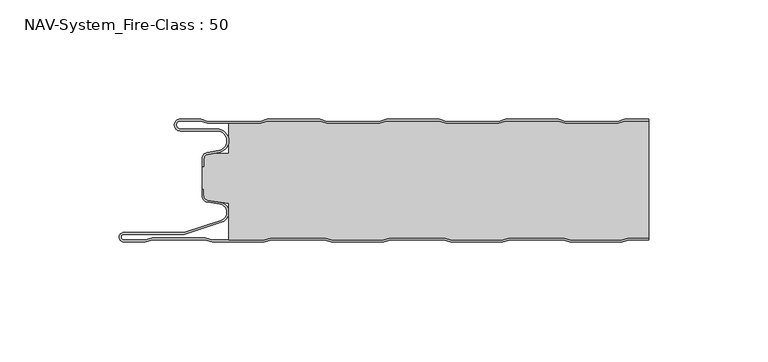
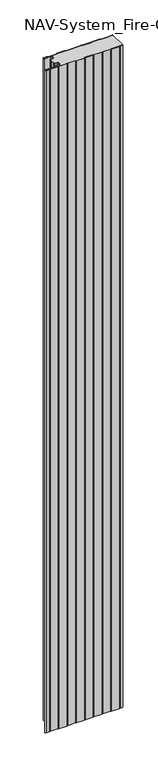
"""IFC4 building model written with IfcOpenShell, lengths in millimetres: plate geometry, NAV-System_Fire-Class : 50."""

from ifc_helpers import new_model, si_unit, frame, origin, place, context, project, spatial, polyline, circle_curve, source, transform, mapped, element, save
from ifc_brep_helpers import plane_surface, cylinder_surface, revolved_surface, advanced_brep


def nav_system_fire_class_50_8bec986a(model_context):
    return source(origin(), model_context, "Body", "AdvancedBrep", [
        advanced_brep(
        [(-88.6298221, -0.8, 0.0), (-97.0000001, -0.8, 0.0), (-97.0000001, -4.1999999, 0.0), (-81.6002086, -4.1999999, 0.0), (-80.7423864, -14.0049502, 0.0), (-85.6125665, -14.8636946, 0.0), (-87.1000004, -16.6363494, 0.0), (-87.1000014, -19.9421291, 0.0), (-87.9000014, -19.9421291, 0.0), (-87.9000014, -16.6363484, 0.0), (-85.7514853, -14.0758488, 0.0), (-80.8813015, -13.217104, 0.0), (-81.600205, -4.9999999, 0.0), (-97.0000001, -4.9999999, 0.0), (-97.0000001, 0.0, 0.0), (-88.5, 0.0, 0.0), (-85.5, -1.0, 0.0), (-63.5, -1.0, 0.0), (-60.5, 0.0, 0.0), (-38.5, 0.0, 0.0), (-35.5, -1.0, 0.0), (-13.5, -1.0, 0.0), (-10.5, 0.0, 0.0), (11.5, 0.0, 0.0), (14.5, -1.0, 0.0), (36.5, -1.0, 0.0), (39.5, 0.0, 0.0), (61.5, 0.0, 0.0), (64.5, -1.0, 0.0), (86.5, -1.0, 0.0), (89.5, 0.0, 0.0), (99.5, 0.0, 0.0), (99.5, -0.8, 0.0), (89.6298221, -0.8, 0.0), (86.6298221, -1.8, 0.0), (64.3701779, -1.8, 0.0), (61.3701779, -0.8, 0.0), (39.6298221, -0.8, 0.0), (36.6298221, -1.8, 0.0), (14.3701779, -1.8, 0.0), (11.3701779, -0.8, 0.0), (-10.3701779, -0.8, 0.0), (-13.3701779, -1.8, 0.0), (-35.6298221, -1.8, 0.0), (-38.6298221, -0.8, 0.0), (-60.3701779, -0.8, 0.0), (-63.3701779, -1.8, 0.0), (-85.6298221, -1.8, 0.0), (-88.6298221, -0.8, 2000.0), (-85.6298221, -1.8, 2000.0), (-63.3701779, -1.8, 2000.0), (-60.3701779, -0.8, 2000.0), (-38.6298221, -0.8, 2000.0), (-35.6298221, -1.8, 2000.0), (-13.3701779, -1.8, 2000.0), (-10.3701779, -0.8, 2000.0), (11.3701779, -0.8, 2000.0), (14.3701779, -1.8, 2000.0), (36.6298221, -1.8, 2000.0), (39.6298221, -0.8, 2000.0), (61.3701779, -0.8, 2000.0), (64.3701779, -1.8, 2000.0), (86.6298221, -1.8, 2000.0), (89.6298221, -0.8, 2000.0), (99.5, -0.8, 2000.0), (99.5, 0.0, 2000.0), (89.5, 0.0, 2000.0), (86.5, -1.0, 2000.0), (64.5, -1.0, 2000.0), (61.5, 0.0, 2000.0), (39.5, 0.0, 2000.0), (36.5, -1.0, 2000.0), (14.5, -1.0, 2000.0), (11.5, 0.0, 2000.0), (-10.5, 0.0, 2000.0), (-13.5, -1.0, 2000.0), (-35.5, -1.0, 2000.0), (-38.5, 0.0, 2000.0), (-60.5, 0.0, 2000.0), (-63.5, -1.0, 2000.0), (-85.5, -1.0, 2000.0), (-88.5, 0.0, 2000.0), (-97.0000001, 0.0, 2000.0), (-97.0000001, -4.9999999, 2000.0), (-81.600205, -4.9999999, 2000.0), (-80.8813015, -13.217104, 2000.0), (-85.7514853, -14.0758488, 2000.0), (-87.8999997, -16.6363484, 2000.0), (-87.9000014, -19.9421291, 2000.0), (-87.1000014, -19.9421291, 2000.0), (-87.1000014, -16.6363494, 2000.0), (-85.6125665, -14.8636946, 2000.0), (-80.7423864, -14.0049502, 2000.0), (-81.6002086, -4.1999999, 2000.0), (-97.0000001, -4.1999999, 2000.0), (-97.0000001, -0.8000002, 2000.0)],
        [
            (0, 1),
            (1, 2, circle_curve(frame((-97.0000001, -2.5, 0.0), z_axis=(0.0, 0.0, 1.0), x_axis=(1.0, 0.0, 0.0)), 1.6999999)),
            (2, 3),
            (3, 4, circle_curve(frame((-81.6002086, -9.1399999, 0.0), z_axis=(0.0, 0.0, -1.0), x_axis=(1.0, 0.0, 0.0)), 4.94)),
            (4, 5),
            (5, 6, circle_curve(frame((-85.2999995, -16.6363494, 0.0), z_axis=(0.0, 0.0, 1.0), x_axis=(1.0, 0.0, 0.0)), 1.8000009)),
            (6, 7),
            (7, 8),
            (8, 9),
            (9, 10, circle_curve(frame((-85.3000002, -16.6363484, 0.0), z_axis=(0.0, 0.0, -1.0), x_axis=(1.0, 0.0, 0.0)), 2.5999995)),
            (10, 11),
            (11, 12, circle_curve(frame((-81.600205, -9.1399999, 0.0), z_axis=(0.0, 0.0, 1.0), x_axis=(1.0, 0.0, 0.0)), 4.14)),
            (12, 13),
            (13, 14, circle_curve(frame((-97.0000001, -2.4999999, 0.0), z_axis=(0.0, 0.0, -1.0), x_axis=(1.0, 0.0, 0.0)), 2.4999999)),
            (14, 15),
            (15, 16),
            (16, 17),
            (17, 18),
            (18, 19),
            (19, 20),
            (20, 21),
            (21, 22),
            (22, 23),
            (23, 24),
            (24, 25),
            (25, 26),
            (26, 27),
            (27, 28),
            (28, 29),
            (29, 30),
            (30, 31),
            (31, 32),
            (32, 33),
            (33, 34),
            (34, 35),
            (35, 36),
            (36, 37),
            (37, 38),
            (38, 39),
            (39, 40),
            (40, 41),
            (41, 42),
            (42, 43),
            (43, 44),
            (44, 45),
            (45, 46),
            (46, 47),
            (47, 0),
            (48, 49),
            (49, 50),
            (50, 51),
            (51, 52),
            (52, 53),
            (53, 54),
            (54, 55),
            (55, 56),
            (56, 57),
            (57, 58),
            (58, 59),
            (59, 60),
            (60, 61),
            (61, 62),
            (62, 63),
            (63, 64),
            (64, 65),
            (65, 66),
            (66, 67),
            (67, 68),
            (68, 69),
            (69, 70),
            (70, 71),
            (71, 72),
            (72, 73),
            (73, 74),
            (74, 75),
            (75, 76),
            (76, 77),
            (77, 78),
            (78, 79),
            (79, 80),
            (80, 81),
            (81, 82),
            (82, 83, circle_curve(frame((-97.0000001, -2.4999999, 2000.0), z_axis=(0.0, 0.0, 1.0), x_axis=(1.0, 0.0, 0.0)), 2.4999999)),
            (83, 84),
            (84, 85, circle_curve(frame((-81.600205, -9.1399999, 2000.0), z_axis=(0.0, 0.0, -1.0), x_axis=(1.0, 0.0, 0.0)), 4.14)),
            (85, 86),
            (86, 87, circle_curve(frame((-85.3000002, -16.6363484, 2000.0), z_axis=(0.0, 0.0, 1.0), x_axis=(1.0, 0.0, 0.0)), 2.5999995)),
            (87, 88),
            (88, 89),
            (89, 90),
            (90, 91, circle_curve(frame((-85.2999995, -16.6363494, 2000.0), z_axis=(0.0, 0.0, -1.0), x_axis=(1.0, 0.0, 0.0)), 1.8000009)),
            (91, 92),
            (92, 93, circle_curve(frame((-81.6002086, -9.1399999, 2000.0), z_axis=(0.0, 0.0, 1.0), x_axis=(1.0, 0.0, 0.0)), 4.94)),
            (93, 94),
            (94, 95, circle_curve(frame((-97.0000001, -2.5, 2000.0), z_axis=(0.0, 0.0, -1.0), x_axis=(1.0, 0.0, 0.0)), 1.6999999)),
            (95, 48),
            (0, 48),
            (95, 1),
            (14, 82),
            (81, 15),
            (63, 33),
            (32, 64),
            (62, 34),
            (61, 35),
            (60, 36),
            (59, 37),
            (58, 38),
            (57, 39),
            (56, 40),
            (55, 41),
            (54, 42),
            (53, 43),
            (52, 44),
            (51, 45),
            (50, 46),
            (49, 47),
            (80, 16),
            (79, 17),
            (78, 18),
            (77, 19),
            (76, 20),
            (75, 21),
            (74, 22),
            (73, 23),
            (72, 24),
            (71, 25),
            (70, 26),
            (69, 27),
            (68, 28),
            (67, 29),
            (66, 30),
            (65, 31),
            (2, 94),
            (93, 3),
            (6, 90),
            (89, 7),
            (88, 8),
            (87, 9),
            (12, 84),
            (83, 13),
            (92, 4),
            (91, 5),
            (86, 10),
            (85, 11),
        ],
        [
            plane_surface(frame((-99.5, 0.0, 0.0), z_axis=(0.0, 0.0, -1.0), x_axis=(0.0, -1.0, 0.0))),
            plane_surface(frame((-99.5, 0.0, 2000.0), z_axis=(0.0, 0.0, 1.0), x_axis=(0.0, -1.0, 0.0))),
            plane_surface(frame((-88.6298221, -0.8, 0.0), z_axis=(0.0, -1.0, 0.0), x_axis=(0.0, 0.0, 1.0))),
            plane_surface(frame((-97.0000001, 0.0, 0.0), z_axis=(0.0, 1.0, 0.0), x_axis=(0.0, 0.0, 1.0))),
            plane_surface(frame((111.3701779, -0.8, 0.0), z_axis=(0.0, -1.0, 0.0), x_axis=(0.0, 0.0, 1.0))),
            plane_surface(frame((89.6298221, -0.8, 0.0), z_axis=(0.3162277660167413, -0.9486832980505461, 0.0), x_axis=(0.0, 0.0, 1.0))),
            plane_surface(frame((86.6298221, -1.8, 0.0), z_axis=(0.0, -1.0, 0.0), x_axis=(0.0, 0.0, 1.0))),
            plane_surface(frame((64.3701779, -1.8, 0.0), z_axis=(-0.31622776601675356, -0.948683298050542, 0.0), x_axis=(0.0, 0.0, 1.0))),
            plane_surface(frame((61.3701779, -0.8, 0.0), z_axis=(0.0, -1.0, 0.0), x_axis=(0.0, 0.0, 1.0))),
            plane_surface(frame((39.6298221, -0.8, 0.0), z_axis=(0.31622776601679226, -0.9486832980505291, 0.0), x_axis=(0.0, 0.0, 1.0))),
            plane_surface(frame((36.6298221, -1.8, 0.0), z_axis=(0.0, -1.0, 0.0), x_axis=(0.0, 0.0, 1.0))),
            plane_surface(frame((14.3701779, -1.8, 0.0), z_axis=(-0.3162277660168045, -0.948683298050525, 0.0), x_axis=(0.0, 0.0, 1.0))),
            plane_surface(frame((11.3701779, -0.8, 0.0), z_axis=(0.0, -1.0, 0.0), x_axis=(0.0, 0.0, 1.0))),
            plane_surface(frame((-10.3701779, -0.8, 0.0), z_axis=(0.31622776601679226, -0.9486832980505291, 0.0), x_axis=(0.0, 0.0, 1.0))),
            plane_surface(frame((-13.3701779, -1.8, 0.0), z_axis=(0.0, -1.0, 0.0), x_axis=(0.0, 0.0, 1.0))),
            plane_surface(frame((-35.6298221, -1.8, 0.0), z_axis=(-0.3162277660168045, -0.948683298050525, 0.0), x_axis=(0.0, 0.0, 1.0))),
            plane_surface(frame((-38.6298221, -0.8, 0.0), z_axis=(0.0, -1.0, 0.0), x_axis=(0.0, 0.0, 1.0))),
            plane_surface(frame((-60.3701779, -0.8, 0.0), z_axis=(0.3162277660167413, -0.9486832980505461, 0.0), x_axis=(0.0, 0.0, 1.0))),
            plane_surface(frame((-63.3701779, -1.8, 0.0), z_axis=(0.0, -1.0, 0.0), x_axis=(0.0, 0.0, 1.0))),
            plane_surface(frame((-85.6298221, -1.8, 0.0), z_axis=(-0.3162277660167413, -0.9486832980505461, 0.0), x_axis=(0.0, 0.0, 1.0))),
            plane_surface(frame((-88.5, 0.0, 0.0), z_axis=(0.31622776601671865, 0.9486832980505536, 0.0), x_axis=(0.0, 0.0, 1.0))),
            plane_surface(frame((-85.5, -1.0, 0.0), z_axis=(0.0, 1.0, 0.0), x_axis=(0.0, 0.0, 1.0))),
            plane_surface(frame((-63.5, -1.0, 0.0), z_axis=(-0.31622776601671865, 0.9486832980505536, 0.0), x_axis=(0.0, 0.0, 1.0))),
            plane_surface(frame((-60.5, 0.0, 0.0), z_axis=(0.0, 1.0, 0.0), x_axis=(0.0, 0.0, 1.0))),
            plane_surface(frame((-38.5, 0.0, 0.0), z_axis=(0.31622776601678754, 0.9486832980505306, 0.0), x_axis=(0.0, 0.0, 1.0))),
            plane_surface(frame((-35.5, -1.0, 0.0), z_axis=(0.0, 1.0, 0.0), x_axis=(0.0, 0.0, 1.0))),
            plane_surface(frame((-13.5, -1.0, 0.0), z_axis=(-0.3162277660167752, 0.9486832980505348, 0.0), x_axis=(0.0, 0.0, 1.0))),
            plane_surface(frame((-10.5, 0.0, 0.0), z_axis=(0.0, 1.0, 0.0), x_axis=(0.0, 0.0, 1.0))),
            plane_surface(frame((11.5, 0.0, 0.0), z_axis=(0.31622776601678754, 0.9486832980505306, 0.0), x_axis=(0.0, 0.0, 1.0))),
            plane_surface(frame((14.5, -1.0, 0.0), z_axis=(0.0, 1.0, 0.0), x_axis=(0.0, 0.0, 1.0))),
            plane_surface(frame((36.5, -1.0, 0.0), z_axis=(-0.3162277660167752, 0.9486832980505348, 0.0), x_axis=(0.0, 0.0, 1.0))),
            plane_surface(frame((39.5, 0.0, 0.0), z_axis=(0.0, 1.0, 0.0), x_axis=(0.0, 0.0, 1.0))),
            plane_surface(frame((61.5, 0.0, 0.0), z_axis=(0.3162277660167309, 0.9486832980505495, 0.0), x_axis=(0.0, 0.0, 1.0))),
            plane_surface(frame((64.5, -1.0, 0.0), z_axis=(0.0, 1.0, 0.0), x_axis=(0.0, 0.0, 1.0))),
            plane_surface(frame((86.5, -1.0, 0.0), z_axis=(-0.31622776601671865, 0.9486832980505536, 0.0), x_axis=(0.0, 0.0, 1.0))),
            plane_surface(frame((89.5, 0.0, 0.0), z_axis=(0.0, 1.0, 0.0), x_axis=(0.0, 0.0, 1.0))),
            plane_surface(frame((-97.0000001, -4.1999999, 0.0), z_axis=(0.0, 1.0, 0.0), x_axis=(0.0, 0.0, 1.0))),
            plane_surface(frame((-87.1000014, -16.6363494, 0.0), z_axis=(1.0, 0.0, 0.0), x_axis=(0.0, 0.0, 1.0))),
            plane_surface(frame((-87.1000014, -19.9421291, 0.0), z_axis=(0.0, -1.0, 0.0), x_axis=(0.0, 0.0, 1.0))),
            plane_surface(frame((-87.9000014, -19.9421291, 0.0), z_axis=(-1.0, 0.0, 0.0), x_axis=(0.0, 0.0, 1.0))),
            plane_surface(frame((-81.600205, -4.9999999, 0.0), z_axis=(0.0, -1.0, 0.0), x_axis=(0.0, 0.0, 1.0))),
            revolved_surface(polyline([(-95.3000002, -2.5, 2000.0), (-95.3000002, -2.5, 0.0)]), (-97.0000001, -2.5, 0.0), (0.0, 0.0, 1.0)),
            cylinder_surface(frame((-81.6002086, -9.1399999, 0.0), z_axis=(0.0, 0.0, -1.0), x_axis=(1.0, 0.0, 0.0)), 4.94),
            plane_surface(frame((-80.7423864, -14.0049502, 0.0), z_axis=(0.17364822279076972, -0.9848077450556567, 0.0), x_axis=(0.0, 0.0, 1.0))),
            revolved_surface(polyline([(-83.4999986, -16.6363494, 2000.0), (-83.4999986, -16.6363494, 0.0)]), (-85.2999995, -16.6363494, 0.0), (0.0, 0.0, 1.0)),
            cylinder_surface(frame((-85.3000002, -16.6363484, 0.0), z_axis=(0.0, 0.0, -1.0), x_axis=(1.0, 0.0, 0.0)), 2.5999995),
            plane_surface(frame((-85.7514853, -14.0758488, 0.0), z_axis=(-0.17364817295915452, 0.984807753842316, 0.0), x_axis=(0.0, 0.0, 1.0))),
            revolved_surface(polyline([(-77.460205, -9.1399999, 2000.0), (-77.460205, -9.1399999, 0.0)]), (-81.600205, -9.1399999, 0.0), (0.0, 0.0, 1.0)),
            cylinder_surface(frame((-97.0000001, -2.4999999, 0.0), z_axis=(0.0, 0.0, -1.0), x_axis=(1.0, 0.0, 0.0)), 2.4999999),
            plane_surface(frame((99.5, 100.0, 2000.0), z_axis=(1.0, 0.0, 0.0), x_axis=(0.0, 0.0, -1.0))),
        ],
        [
            (0, [[1, 2, 3, 4, 5, 6, 7, 8, 9, 10, 11, 12, 13, 14, 15, 16, 17, 18, 19, 20, 21, 22, 23, 24, 25, 26, 27, 28, 29, 30, 31, 32, 33, 34, 35, 36, 37, 38, 39, 40, 41, 42, 43, 44, 45, 46, 47, 48]]),
            (1, [[49, 50, 51, 52, 53, 54, 55, 56, 57, 58, 59, 60, 61, 62, 63, 64, 65, 66, 67, 68, 69, 70, 71, 72, 73, 74, 75, 76, 77, 78, 79, 80, 81, 82, 83, 84, 85, 86, 87, 88, 89, 90, 91, 92, 93, 94, 95, 96]]),
            (2, [[-1, 97, -96, 98]]),
            (3, [[-15, 99, -82, 100]]),
            (4, [[101, -33, 102, -64]]),
            (5, [[-34, -101, -63, 103]]),
            (6, [[-35, -103, -62, 104]]),
            (7, [[-36, -104, -61, 105]]),
            (8, [[-37, -105, -60, 106]]),
            (9, [[-38, -106, -59, 107]]),
            (10, [[-39, -107, -58, 108]]),
            (11, [[-40, -108, -57, 109]]),
            (12, [[-41, -109, -56, 110]]),
            (13, [[-42, -110, -55, 111]]),
            (14, [[-43, -111, -54, 112]]),
            (15, [[-44, -112, -53, 113]]),
            (16, [[-45, -113, -52, 114]]),
            (17, [[-46, -114, -51, 115]]),
            (18, [[-47, -115, -50, 116]]),
            (19, [[-48, -116, -49, -97]]),
            (20, [[-16, -100, -81, 117]]),
            (21, [[-17, -117, -80, 118]]),
            (22, [[-18, -118, -79, 119]]),
            (23, [[-19, -119, -78, 120]]),
            (24, [[-20, -120, -77, 121]]),
            (25, [[-21, -121, -76, 122]]),
            (26, [[-22, -122, -75, 123]]),
            (27, [[-23, -123, -74, 124]]),
            (28, [[-24, -124, -73, 125]]),
            (29, [[-25, -125, -72, 126]]),
            (30, [[-26, -126, -71, 127]]),
            (31, [[-27, -127, -70, 128]]),
            (32, [[-28, -128, -69, 129]]),
            (33, [[-29, -129, -68, 130]]),
            (34, [[-30, -130, -67, 131]]),
            (35, [[-131, -66, 132, -31]]),
            (36, [[-3, 133, -94, 134]]),
            (37, [[-7, 135, -90, 136]]),
            (38, [[-8, -136, -89, 137]]),
            (39, [[-9, -137, -88, 138]]),
            (40, [[-13, 139, -84, 140]]),
            (41, [[-2, -98, -95, -133]]),
            (42, [[-4, -134, -93, 141]]),
            (43, [[-5, -141, -92, 142]]),
            (44, [[-6, -142, -91, -135]]),
            (45, [[-10, -138, -87, 143]]),
            (46, [[-11, -143, -86, 144]]),
            (47, [[-12, -144, -85, -139]]),
            (48, [[-14, -140, -83, -99]]),
            (49, [[-32, -132, -65, -102]]),
        ],
    ),
        advanced_brep(
        [(89.6181262, -0.8, 2000.0), (86.6181262, -1.8, 2000.0), (64.3584819, -1.8, 2000.0), (61.3584819, -0.8, 2000.0), (39.6181262, -0.8, 2000.0), (36.6181262, -1.8, 2000.0), (14.3584819, -1.8, 2000.0), (11.3584819, -0.8, 2000.0), (-10.3818738, -0.8, 2000.0), (-13.3818738, -1.8, 2000.0), (-35.6415181, -1.8, 2000.0), (-38.6415181, -0.8, 2000.0), (-60.3818738, -0.8, 2000.0), (-63.3818738, -1.8, 2000.0), (-76.6719045, -1.8, 2000.0), (-76.6719045, -14.4343223, 2000.0), (-83.1891722, -14.4343223, 2000.0), (-85.6242625, -14.8636946, 2000.0), (-87.1116964, -16.636349, 2000.0), (-87.1116974, -19.9512003, 2000.0), (-87.9116974, -19.9512003, 2000.0), (-87.9116974, -29.3983656, 2000.0), (-87.1116974, -29.3983656, 2000.0), (-87.1116974, -32.1656409, 2000.0), (-85.4245663, -34.1410176, 2000.0), (-76.6248082, -35.5347623, 2000.0), (-76.6248082, -50.8, 2000.0), (-61.8218295, -50.8, 2000.0), (-58.7610803, -50.0, 2000.0), (-36.5891849, -50.0, 2000.0), (-33.5284357, -50.8, 2000.0), (-11.8218295, -50.8, 2000.0), (-8.7610803, -50.0, 2000.0), (13.4108151, -50.0, 2000.0), (16.4715643, -50.8, 2000.0), (38.1904, -50.8, 2000.0), (41.2511493, -50.0, 2000.0), (63.4108151, -50.0, 2000.0), (66.4715643, -50.8, 2000.0), (88.1781705, -50.8, 2000.0), (91.2389197, -50.0, 2000.0), (99.5, -50.0, 2000.0), (99.5, -0.8, 2000.0), (91.2389197, -50.0, 0.0), (88.1781705, -50.8, 0.0), (66.4715643, -50.8, 0.0), (63.4108151, -50.0, 0.0), (41.2511493, -50.0, 0.0), (38.1904, -50.8, 0.0), (16.4715643, -50.8, 0.0), (13.4108151, -50.0, 0.0), (-8.7610803, -50.0, 0.0), (-11.8218295, -50.8, 0.0), (-33.5284357, -50.8, 0.0), (-36.5891849, -50.0, 0.0), (-58.7610803, -50.0, 0.0), (-61.8218295, -50.8, 0.0), (-76.6248082, -50.8, 0.0), (-76.6248082, -35.5347623, 0.0), (-85.4245663, -34.1410176, 0.0), (-87.1116974, -32.1656409, 0.0), (-87.1116974, -29.3983656, 0.0), (-87.9116974, -29.3983656, 0.0), (-87.9116974, -19.9512003, 0.0), (-87.1116974, -19.9512003, 0.0), (-87.1116974, -16.636349, 0.0), (-85.6242625, -14.8636946, 0.0), (-83.1891722, -14.4343223, 0.0), (-76.6719045, -14.4343223, 0.0), (-76.6719045, -1.8, 0.0), (-63.3818738, -1.8, 0.0), (-60.3818738, -0.8, 0.0), (-38.6415181, -0.8, 0.0), (-35.6415181, -1.8, 0.0), (-13.3818738, -1.8, 0.0), (-10.3818738, -0.8, 0.0), (11.3584819, -0.8, 0.0), (14.3584819, -1.8, 0.0), (36.6181262, -1.8, 0.0), (39.6181262, -0.8, 0.0), (61.3584819, -0.8, 0.0), (64.3584819, -1.8, 0.0), (86.6181262, -1.8, 0.0), (89.6181262, -0.8, 0.0), (99.5, -0.8, 0.0), (99.5, -50.0, 0.0)],
        [
            (0, 1),
            (1, 2),
            (2, 3),
            (3, 4),
            (4, 5),
            (5, 6),
            (6, 7),
            (7, 8),
            (8, 9),
            (9, 10),
            (10, 11),
            (11, 12),
            (12, 13),
            (13, 14),
            (14, 15),
            (15, 16),
            (16, 17),
            (17, 18, circle_curve(frame((-85.3116955, -16.6363494, 2000.0), z_axis=(0.0, 0.0, 1.0), x_axis=(1.0, 0.0, 0.0)), 1.8000009)),
            (18, 19),
            (19, 20),
            (20, 21),
            (21, 22),
            (22, 23),
            (23, 24, circle_curve(frame((-85.1116974, -32.1656409, 2000.0), z_axis=(0.0, 0.0, 1.0), x_axis=(1.0, 0.0, 0.0)), 2.0)),
            (24, 25),
            (25, 26),
            (26, 27),
            (27, 28),
            (28, 29),
            (29, 30),
            (30, 31),
            (31, 32),
            (32, 33),
            (33, 34),
            (34, 35),
            (35, 36),
            (36, 37),
            (37, 38),
            (38, 39),
            (39, 40),
            (40, 41),
            (41, 42),
            (42, 0),
            (43, 44),
            (44, 45),
            (45, 46),
            (46, 47),
            (47, 48),
            (48, 49),
            (49, 50),
            (50, 51),
            (51, 52),
            (52, 53),
            (53, 54),
            (54, 55),
            (55, 56),
            (56, 57),
            (57, 58),
            (58, 59),
            (59, 60, circle_curve(frame((-85.1116974, -32.1656409, 0.0), z_axis=(0.0, 0.0, -1.0), x_axis=(1.0, 0.0, 0.0)), 2.0)),
            (60, 61),
            (61, 62),
            (62, 63),
            (63, 64),
            (64, 65),
            (65, 66, circle_curve(frame((-85.3116955, -16.6363494, 0.0), z_axis=(0.0, 0.0, -1.0), x_axis=(1.0, 0.0, 0.0)), 1.8000009)),
            (66, 67),
            (67, 68),
            (68, 69),
            (69, 70),
            (70, 71),
            (71, 72),
            (72, 73),
            (73, 74),
            (74, 75),
            (75, 76),
            (76, 77),
            (77, 78),
            (78, 79),
            (79, 80),
            (80, 81),
            (81, 82),
            (82, 83),
            (83, 84),
            (84, 85),
            (85, 43),
            (83, 0),
            (42, 84),
            (82, 1),
            (81, 2),
            (80, 3),
            (79, 4),
            (78, 5),
            (77, 6),
            (76, 7),
            (75, 8),
            (74, 9),
            (73, 10),
            (72, 11),
            (71, 12),
            (70, 13),
            (69, 14),
            (68, 15),
            (67, 16),
            (66, 17),
            (65, 18),
            (64, 19),
            (63, 20),
            (62, 21),
            (61, 22),
            (60, 23),
            (59, 24),
            (58, 25),
            (57, 26),
            (56, 27),
            (55, 28),
            (54, 29),
            (53, 30),
            (52, 31),
            (51, 32),
            (50, 33),
            (49, 34),
            (48, 35),
            (47, 36),
            (46, 37),
            (45, 38),
            (44, 39),
            (43, 40),
            (85, 41),
        ],
        [
            plane_surface(frame((-99.5, 0.0, 2000.0), z_axis=(0.0, 0.0, 1.0), x_axis=(0.0, -1.0, 0.0))),
            plane_surface(frame((-99.5, 0.0, 0.0), z_axis=(0.0, 0.0, -1.0), x_axis=(0.0, -1.0, 0.0))),
            plane_surface(frame((111.3584819, -0.8, 2000.0), z_axis=(0.0, 1.0, 0.0), x_axis=(0.0, 0.0, -1.0))),
            plane_surface(frame((89.6181262, -0.8, 2000.0), z_axis=(-0.31622776601684405, 0.9486832980505119, 0.0), x_axis=(0.0, 0.0, -1.0))),
            plane_surface(frame((86.6181262, -1.8, 2000.0), z_axis=(0.0, 1.0, 0.0), x_axis=(0.0, 0.0, -1.0))),
            plane_surface(frame((64.3584819, -1.8, 2000.0), z_axis=(0.3162277660164755, 0.9486832980506347, 0.0), x_axis=(0.0, 0.0, -1.0))),
            plane_surface(frame((61.3584819, -0.8, 2000.0), z_axis=(0.0, 1.0, 0.0), x_axis=(0.0, 0.0, -1.0))),
            plane_surface(frame((39.6181262, -0.8, 2000.0), z_axis=(-0.3162277660169692, 0.94868329805047, 0.0), x_axis=(0.0, 0.0, -1.0))),
            plane_surface(frame((36.6181262, -1.8, 2000.0), z_axis=(0.0, 1.0, 0.0), x_axis=(0.0, 0.0, -1.0))),
            plane_surface(frame((14.3584819, -1.8, 2000.0), z_axis=(0.31622776601655256, 0.948683298050609, 0.0), x_axis=(0.0, 0.0, -1.0))),
            plane_surface(frame((11.3584819, -0.8, 2000.0), z_axis=(0.0, 1.0, 0.0), x_axis=(0.0, 0.0, -1.0))),
            plane_surface(frame((-10.3818738, -0.8, 2000.0), z_axis=(-0.31622776601696284, 0.9486832980504722, 0.0), x_axis=(0.0, 0.0, -1.0))),
            plane_surface(frame((-13.3818738, -1.8, 2000.0), z_axis=(0.0, 1.0, 0.0), x_axis=(0.0, 0.0, -1.0))),
            plane_surface(frame((-35.6415181, -1.8, 2000.0), z_axis=(0.31622776601661995, 0.9486832980505865, 0.0), x_axis=(0.0, 0.0, -1.0))),
            plane_surface(frame((-38.6415181, -0.8, 2000.0), z_axis=(0.0, 1.0, 0.0), x_axis=(0.0, 0.0, -1.0))),
            plane_surface(frame((-60.3818738, -0.8, 2000.0), z_axis=(-0.3162277660168055, 0.9486832980505246, 0.0), x_axis=(0.0, 0.0, -1.0))),
            plane_surface(frame((-63.3818738, -1.8, 2000.0), z_axis=(0.0, 1.0, 0.0), x_axis=(0.0, 0.0, -1.0))),
            plane_surface(frame((-76.6719045, -1.8, 2000.0), z_axis=(-1.0, 0.0, 0.0), x_axis=(0.0, 0.0, -1.0))),
            plane_surface(frame((-76.6719045, -14.4343223, 2000.0), z_axis=(0.0, 1.0, 0.0), x_axis=(0.0, 0.0, -1.0))),
            plane_surface(frame((-83.1891722, -14.4343223, 2000.0), z_axis=(-0.17364822279077605, 0.9848077450556556, 0.0), x_axis=(0.0, 0.0, -1.0))),
            cylinder_surface(frame((-85.3116955, -16.6363494, 2000.0), z_axis=(0.0, 0.0, 1.0), x_axis=(1.0, 0.0, 0.0)), 1.8000009),
            plane_surface(frame((-87.1116974, -16.636349, 2000.0), z_axis=(-1.0, 0.0, 0.0), x_axis=(0.0, 0.0, -1.0))),
            plane_surface(frame((-87.1116974, -19.9512003, 2000.0), z_axis=(0.0, 1.0, 0.0), x_axis=(0.0, 0.0, -1.0))),
            plane_surface(frame((-87.9116974, -19.9512003, 2000.0), z_axis=(-1.0, 0.0, 0.0), x_axis=(0.0, 0.0, -1.0))),
            plane_surface(frame((-87.9116974, -29.3983656, 2000.0), z_axis=(0.0, -1.0, 0.0), x_axis=(0.0, 0.0, -1.0))),
            plane_surface(frame((-87.1116974, -29.3983656, 2000.0), z_axis=(-1.0, 0.0, 0.0), x_axis=(0.0, 0.0, -1.0))),
            cylinder_surface(frame((-85.1116974, -32.1656409, 2000.0), z_axis=(0.0, 0.0, 1.0), x_axis=(1.0, 0.0, 0.0)), 2.0),
            plane_surface(frame((-85.4245663, -34.1410176, 2000.0), z_axis=(-0.15643446503999506, -0.9876883405951751, 0.0), x_axis=(0.0, 0.0, -1.0))),
            plane_surface(frame((-76.6248082, -35.5347623, 2000.0), z_axis=(-1.0, 0.0, 0.0), x_axis=(0.0, 0.0, -1.0))),
            plane_surface(frame((-76.6248082, -50.8, 2000.0), z_axis=(0.0, -1.0, 0.0), x_axis=(0.0, 0.0, -1.0))),
            plane_surface(frame((-61.8218295, -50.8, 2000.0), z_axis=(0.25287873100818087, -0.9674979831522608, 0.0), x_axis=(0.0, 0.0, -1.0))),
            plane_surface(frame((-58.7610803, -50.0, 2000.0), z_axis=(0.0, -1.0, 0.0), x_axis=(0.0, 0.0, -1.0))),
            plane_surface(frame((-36.5891849, -50.0, 2000.0), z_axis=(-0.25287873100938985, -0.9674979831519447, 0.0), x_axis=(0.0, 0.0, -1.0))),
            plane_surface(frame((-33.5284357, -50.8, 2000.0), z_axis=(0.0, -1.0, 0.0), x_axis=(0.0, 0.0, -1.0))),
            plane_surface(frame((-11.8218295, -50.8, 2000.0), z_axis=(0.2528787310082863, -0.9674979831522332, 0.0), x_axis=(0.0, 0.0, -1.0))),
            plane_surface(frame((-8.7610803, -50.0, 2000.0), z_axis=(0.0, -1.0, 0.0), x_axis=(0.0, 0.0, -1.0))),
            plane_surface(frame((13.4108151, -50.0, 2000.0), z_axis=(-0.25287873100843145, -0.9674979831521953, 0.0), x_axis=(0.0, 0.0, -1.0))),
            plane_surface(frame((16.4715643, -50.8, 2000.0), z_axis=(0.0, -1.0, 0.0), x_axis=(0.0, 0.0, -1.0))),
            plane_surface(frame((38.1904, -50.8, 2000.0), z_axis=(0.2528787310081133, -0.9674979831522784, 0.0), x_axis=(0.0, 0.0, -1.0))),
            plane_surface(frame((41.2511493, -50.0, 2000.0), z_axis=(0.0, -1.0, 0.0), x_axis=(0.0, 0.0, -1.0))),
            plane_surface(frame((63.4108151, -50.0, 2000.0), z_axis=(-0.25287873100834907, -0.9674979831522168, 0.0), x_axis=(0.0, 0.0, -1.0))),
            plane_surface(frame((66.4715643, -50.8, 2000.0), z_axis=(0.0, -1.0, 0.0), x_axis=(0.0, 0.0, -1.0))),
            plane_surface(frame((88.1781705, -50.8, 2000.0), z_axis=(0.2528787310082685, -0.9674979831522379, 0.0), x_axis=(0.0, 0.0, -1.0))),
            plane_surface(frame((91.2389197, -50.0, 2000.0), z_axis=(0.0, -1.0, 0.0), x_axis=(0.0, 0.0, -1.0))),
            plane_surface(frame((99.5, 100.0, 2000.0), z_axis=(1.0, 0.0, 0.0), x_axis=(0.0, 0.0, -1.0))),
        ],
        [
            (0, [[1, 2, 3, 4, 5, 6, 7, 8, 9, 10, 11, 12, 13, 14, 15, 16, 17, 18, 19, 20, 21, 22, 23, 24, 25, 26, 27, 28, 29, 30, 31, 32, 33, 34, 35, 36, 37, 38, 39, 40, 41, 42, 43]]),
            (1, [[44, 45, 46, 47, 48, 49, 50, 51, 52, 53, 54, 55, 56, 57, 58, 59, 60, 61, 62, 63, 64, 65, 66, 67, 68, 69, 70, 71, 72, 73, 74, 75, 76, 77, 78, 79, 80, 81, 82, 83, 84, 85, 86]]),
            (2, [[87, -43, 88, -84]]),
            (3, [[-1, -87, -83, 89]]),
            (4, [[-2, -89, -82, 90]]),
            (5, [[-3, -90, -81, 91]]),
            (6, [[-4, -91, -80, 92]]),
            (7, [[-5, -92, -79, 93]]),
            (8, [[-6, -93, -78, 94]]),
            (9, [[-7, -94, -77, 95]]),
            (10, [[-8, -95, -76, 96]]),
            (11, [[-9, -96, -75, 97]]),
            (12, [[-10, -97, -74, 98]]),
            (13, [[-11, -98, -73, 99]]),
            (14, [[-12, -99, -72, 100]]),
            (15, [[-13, -100, -71, 101]]),
            (16, [[-14, -101, -70, 102]]),
            (17, [[-15, -102, -69, 103]]),
            (18, [[-16, -103, -68, 104]]),
            (19, [[-17, -104, -67, 105]]),
            (20, [[-18, -105, -66, 106]]),
            (21, [[-19, -106, -65, 107]]),
            (22, [[-20, -107, -64, 108]]),
            (23, [[-21, -108, -63, 109]]),
            (24, [[-22, -109, -62, 110]]),
            (25, [[-23, -110, -61, 111]]),
            (26, [[-24, -111, -60, 112]]),
            (27, [[-25, -112, -59, 113]]),
            (28, [[-26, -113, -58, 114]]),
            (29, [[-27, -114, -57, 115]]),
            (30, [[-28, -115, -56, 116]]),
            (31, [[-29, -116, -55, 117]]),
            (32, [[-30, -117, -54, 118]]),
            (33, [[-31, -118, -53, 119]]),
            (34, [[-32, -119, -52, 120]]),
            (35, [[-33, -120, -51, 121]]),
            (36, [[-34, -121, -50, 122]]),
            (37, [[-35, -122, -49, 123]]),
            (38, [[-36, -123, -48, 124]]),
            (39, [[-37, -124, -47, 125]]),
            (40, [[-38, -125, -46, 126]]),
            (41, [[-39, -126, -45, 127]]),
            (42, [[-40, -127, -44, 128]]),
            (43, [[-128, -86, 129, -41]]),
            (44, [[-42, -129, -85, -88]]),
        ],
    ),
        advanced_brep(
        [(91.239397, -50.0, 2000.0), (88.1786477, -50.8, 2000.0), (66.4720416, -50.8, 2000.0), (63.4112923, -50.0, 2000.0), (41.2516265, -50.0, 2000.0), (38.1908772, -50.8, 2000.0), (16.4720416, -50.8, 2000.0), (13.4112923, -50.0, 2000.0), (-8.760603, -50.0, 2000.0), (-11.8213523, -50.8, 2000.0), (-33.5279584, -50.8, 2000.0), (-36.5887077, -50.0, 2000.0), (-58.760603, -50.0, 2000.0), (-61.8213523, -50.8, 2000.0), (-83.5279584, -50.8, 2000.0), (-86.5887077, -50.0, 2000.0), (-108.760603, -50.0, 2000.0), (-111.8190206, -50.7993906, 2000.0), (-120.7154182, -50.7993906, 2000.0), (-120.6771783, -48.4000003, 2000.0), (-95.3414726, -48.4000003, 2000.0), (-79.6231923, -43.2926893, 2000.0), (-80.2358126, -34.9629887, 2000.0), (-85.4240891, -34.1412465, 2000.0), (-87.1112201, -32.1658698, 2000.0), (-87.1112201, -29.3985945, 2000.0), (-87.9112201, -29.3985945, 2000.0), (-87.9112201, -32.1658698, 2000.0), (-85.5140582, -34.93674, 2000.0), (-80.4044746, -35.7460185, 2000.0), (-79.8704103, -42.5316172, 2000.0), (-95.4681798, -47.6000003, 2000.0), (-120.6771783, -47.6000003, 2000.0), (-120.726556, -51.5993906, 2000.0), (-111.7161981, -51.5993906, 2000.0), (-108.6577806, -50.8, 2000.0), (-86.6915302, -50.8, 2000.0), (-83.6307809, -51.6, 2000.0), (-61.7185298, -51.6, 2000.0), (-58.6577806, -50.8, 2000.0), (-36.6915302, -50.8, 2000.0), (-33.6307809, -51.6, 2000.0), (-11.7185298, -51.6, 2000.0), (-8.6577806, -50.8, 2000.0), (13.3084698, -50.8, 2000.0), (16.3692191, -51.6, 2000.0), (38.2936997, -51.6, 2000.0), (41.354449, -50.8, 2000.0), (63.3084698, -50.8, 2000.0), (66.3692191, -51.6, 2000.0), (88.2814702, -51.6, 2000.0), (91.3422194, -50.8, 2000.0), (99.5, -50.8, 2000.0), (99.5, -50.0, 2000.0), (91.3422194, -50.8, 0.0), (88.2814702, -51.6, 0.0), (66.3692191, -51.6, 0.0), (63.3084698, -50.8, 0.0), (41.354449, -50.8, 0.0), (38.2936997, -51.6, 0.0), (16.3692191, -51.6, 0.0), (13.3084698, -50.8, 0.0), (-8.6577806, -50.8, 0.0), (-11.7185298, -51.6, 0.0), (-33.6307809, -51.6, 0.0), (-36.6915302, -50.8, 0.0), (-58.6577806, -50.8, 0.0), (-61.7185298, -51.6, 0.0), (-83.6307809, -51.6, 0.0), (-86.6915302, -50.8, 0.0), (-108.6577806, -50.8, 0.0), (-111.7161981, -51.5993906, 0.0), (-120.726556, -51.5993906, 0.0), (-120.6771783, -47.6000003, 0.0), (-95.4681798, -47.6000003, 0.0), (-79.8704103, -42.5318461, 0.0), (-80.4044746, -35.7460185, 0.0), (-85.5140582, -34.93674, 0.0), (-87.9112201, -32.1658698, 0.0), (-87.9112201, -29.3985945, 0.0), (-87.1112201, -29.3985945, 0.0), (-87.1112201, -32.1658698, 0.0), (-85.4240891, -34.1412465, 0.0), (-80.2358126, -34.9629887, 0.0), (-79.6231923, -43.2924604, 0.0), (-95.3414726, -48.4000003, 0.0), (-120.6771783, -48.4000003, 0.0), (-120.7154182, -50.7993906, 0.0), (-111.8190206, -50.7993906, 0.0), (-108.760603, -50.0, 0.0), (-86.5887077, -50.0, 0.0), (-83.5279584, -50.8, 0.0), (-61.8213523, -50.8, 0.0), (-58.760603, -50.0, 0.0), (-36.5887077, -50.0, 0.0), (-33.5279584, -50.8, 0.0), (-11.8213523, -50.8, 0.0), (-8.760603, -50.0, 0.0), (13.4112923, -50.0, 0.0), (16.4720416, -50.8, 0.0), (38.1908772, -50.8, 0.0), (41.2516265, -50.0, 0.0), (63.4112923, -50.0, 0.0), (66.4720416, -50.8, 0.0), (88.1786477, -50.8, 0.0), (91.239397, -50.0, 0.0), (99.5, -50.0, 0.0), (99.5, -50.8, 0.0)],
        [
            (0, 1),
            (1, 2),
            (2, 3),
            (3, 4),
            (4, 5),
            (5, 6),
            (6, 7),
            (7, 8),
            (8, 9),
            (9, 10),
            (10, 11),
            (11, 12),
            (12, 13),
            (13, 14),
            (14, 15),
            (15, 16),
            (16, 17),
            (17, 18),
            (18, 19, circle_curve(frame((-120.6771783, -49.6000001, 2000.0), z_axis=(0.0, 0.0, -1.0), x_axis=(1.0, 0.0, 0.0)), 1.1999999)),
            (19, 20),
            (20, 21),
            (21, 22, circle_curve(frame((-80.9519964, -39.2029275, 2000.0), z_axis=(0.0, 0.0, 1.0), x_axis=(1.0, 0.0, 0.0)), 4.3)),
            (22, 23),
            (23, 24, circle_curve(frame((-85.1112201, -32.1658698, 2000.0), z_axis=(0.0, 0.0, -1.0), x_axis=(1.0, 0.0, 0.0)), 2.0)),
            (24, 25),
            (25, 26),
            (26, 27),
            (27, 28, circle_curve(frame((-85.1112201, -32.1658698, 2000.0), z_axis=(0.0, 0.0, 1.0), x_axis=(1.0, 0.0, 0.0)), 2.8)),
            (28, 29),
            (29, 30, circle_curve(frame((-80.9519952, -39.2029277, 2000.0), z_axis=(0.0, 0.0, -1.0), x_axis=(1.0, 0.0, 0.0)), 3.5)),
            (30, 31),
            (31, 32),
            (32, 33, circle_curve(frame((-120.6771783, -49.6000003, 2000.0), z_axis=(0.0, 0.0, 1.0), x_axis=(1.0, 0.0, 0.0)), 1.9999999)),
            (33, 34),
            (34, 35),
            (35, 36),
            (36, 37),
            (37, 38),
            (38, 39),
            (39, 40),
            (40, 41),
            (41, 42),
            (42, 43),
            (43, 44),
            (44, 45),
            (45, 46),
            (46, 47),
            (47, 48),
            (48, 49),
            (49, 50),
            (50, 51),
            (51, 52),
            (52, 53),
            (53, 0),
            (54, 55),
            (55, 56),
            (56, 57),
            (57, 58),
            (58, 59),
            (59, 60),
            (60, 61),
            (61, 62),
            (62, 63),
            (63, 64),
            (64, 65),
            (65, 66),
            (66, 67),
            (67, 68),
            (68, 69),
            (69, 70),
            (70, 71),
            (71, 72),
            (72, 73, circle_curve(frame((-120.6771783, -49.6000003, 0.0), z_axis=(0.0, 0.0, -1.0), x_axis=(1.0, 0.0, 0.0)), 1.9999999)),
            (73, 74),
            (74, 75),
            (75, 76, circle_curve(frame((-80.9519952, -39.2029277, 0.0), z_axis=(0.0, 0.0, 1.0), x_axis=(1.0, 0.0, 0.0)), 3.5)),
            (76, 77),
            (77, 78, circle_curve(frame((-85.1112201, -32.1658698, 0.0), z_axis=(0.0, 0.0, -1.0), x_axis=(1.0, 0.0, 0.0)), 2.8)),
            (78, 79),
            (79, 80),
            (80, 81),
            (81, 82, circle_curve(frame((-85.1112201, -32.1658698, 0.0), z_axis=(0.0, 0.0, 1.0), x_axis=(1.0, 0.0, 0.0)), 2.0)),
            (82, 83),
            (83, 84, circle_curve(frame((-80.9519964, -39.2029275, 0.0), z_axis=(0.0, 0.0, -1.0), x_axis=(1.0, 0.0, 0.0)), 4.3)),
            (84, 85),
            (85, 86),
            (86, 87, circle_curve(frame((-120.6771783, -49.6000001, 0.0), z_axis=(0.0, 0.0, 1.0), x_axis=(1.0, 0.0, 0.0)), 1.1999999)),
            (87, 88),
            (88, 89),
            (89, 90),
            (90, 91),
            (91, 92),
            (92, 93),
            (93, 94),
            (94, 95),
            (95, 96),
            (96, 97),
            (97, 98),
            (98, 99),
            (99, 100),
            (100, 101),
            (101, 102),
            (102, 103),
            (103, 104),
            (104, 105),
            (105, 106),
            (106, 107),
            (107, 54),
            (17, 88),
            (87, 18),
            (86, 19),
            (85, 20),
            (84, 21),
            (22, 83),
            (82, 23),
            (81, 24),
            (80, 25),
            (79, 26),
            (78, 27),
            (77, 28),
            (30, 75),
            (74, 31),
            (73, 32),
            (72, 33),
            (71, 34),
            (105, 0),
            (53, 106),
            (104, 1),
            (103, 2),
            (102, 3),
            (101, 4),
            (100, 5),
            (99, 6),
            (98, 7),
            (97, 8),
            (96, 9),
            (95, 10),
            (94, 11),
            (93, 12),
            (92, 13),
            (91, 14),
            (90, 15),
            (89, 16),
            (76, 29),
            (70, 35),
            (69, 36),
            (68, 37),
            (67, 38),
            (66, 39),
            (65, 40),
            (64, 41),
            (63, 42),
            (62, 43),
            (61, 44),
            (60, 45),
            (59, 46),
            (58, 47),
            (57, 48),
            (56, 49),
            (55, 50),
            (54, 51),
            (107, 52),
        ],
        [
            plane_surface(frame((-99.5, -51.6, 2000.0), z_axis=(0.0, 0.0, 1.0), x_axis=(-1.0, 0.0, 0.0))),
            plane_surface(frame((-99.5, -51.6, 0.0), z_axis=(0.0, 0.0, -1.0), x_axis=(-1.0, 0.0, 0.0))),
            plane_surface(frame((-111.8190206, -50.7993906, 2000.0), z_axis=(0.0, 1.0, 0.0), x_axis=(0.0, 0.0, -1.0))),
            revolved_surface(polyline([(-119.4771784, -49.6000001, 0.0), (-119.4771784, -49.6000001, 2000.0)]), (-120.6771783, -49.6000001, 2000.0), (0.0, 0.0, -1.0)),
            plane_surface(frame((-120.6771783, -48.4000003, 2000.0), z_axis=(0.0, -1.0, 0.0), x_axis=(0.0, 0.0, -1.0))),
            plane_surface(frame((-95.3414726, -48.4000003, 2000.0), z_axis=(0.30902422182651945, -0.9510541679234229, 0.0), x_axis=(0.0, 0.0, -1.0))),
            plane_surface(frame((-80.2358126, -34.9629887, 2000.0), z_axis=(0.15643446504003203, 0.9876883405951694, 0.0), x_axis=(0.0, 0.0, -1.0))),
            revolved_surface(polyline([(-83.1112201, -32.1658698, 0.0), (-83.1112201, -32.1658698, 2000.0)]), (-85.1112201, -32.1658698, 2000.0), (0.0, 0.0, -1.0)),
            plane_surface(frame((-87.1112201, -32.1658698, 2000.0), z_axis=(1.0, 0.0, 0.0), x_axis=(0.0, 0.0, -1.0))),
            plane_surface(frame((-87.1112201, -29.3985945, 2000.0), z_axis=(0.0, 1.0, 0.0), x_axis=(0.0, 0.0, -1.0))),
            plane_surface(frame((-87.9112201, -29.3985945, 2000.0), z_axis=(-1.0, 0.0, 0.0), x_axis=(0.0, 0.0, -1.0))),
            cylinder_surface(frame((-85.1112201, -32.1658698, 2000.0), z_axis=(0.0, 0.0, 1.0), x_axis=(1.0, 0.0, 0.0)), 2.8),
            plane_surface(frame((-79.8704103, -42.5318461, 2000.0), z_axis=(-0.3090242543637345, 0.9510541573511668, 0.0), x_axis=(0.0, 0.0, -1.0))),
            plane_surface(frame((-95.4681798, -47.6000003, 2000.0), z_axis=(0.0, 1.0, 0.0), x_axis=(0.0, 0.0, -1.0))),
            cylinder_surface(frame((-120.6771783, -49.6000003, 2000.0), z_axis=(0.0, 0.0, 1.0), x_axis=(1.0, 0.0, 0.0)), 1.9999999),
            plane_surface(frame((-120.726556, -51.5993906, 2000.0), z_axis=(0.0, -1.0, 0.0), x_axis=(0.0, 0.0, -1.0))),
            plane_surface(frame((113.4112923, -50.0, 2000.0), z_axis=(0.0, 1.0, 0.0), x_axis=(0.0, 0.0, -1.0))),
            plane_surface(frame((91.239397, -50.0, 2000.0), z_axis=(-0.25287873100816, 0.9674979831522662, 0.0), x_axis=(0.0, 0.0, -1.0))),
            plane_surface(frame((88.1786477, -50.8, 2000.0), z_axis=(0.0, 1.0, 0.0), x_axis=(0.0, 0.0, -1.0))),
            plane_surface(frame((66.4720416, -50.8, 2000.0), z_axis=(0.2528787310081598, 0.9674979831522662, 0.0), x_axis=(0.0, 0.0, -1.0))),
            plane_surface(frame((63.4112923, -50.0, 2000.0), z_axis=(0.0, 1.0, 0.0), x_axis=(0.0, 0.0, -1.0))),
            plane_surface(frame((41.2516265, -50.0, 2000.0), z_axis=(-0.25287873100816, 0.9674979831522662, 0.0), x_axis=(0.0, 0.0, -1.0))),
            plane_surface(frame((38.1908772, -50.8, 2000.0), z_axis=(0.0, 1.0, 0.0), x_axis=(0.0, 0.0, -1.0))),
            plane_surface(frame((16.4720416, -50.8, 2000.0), z_axis=(0.2528787310083406, 0.9674979831522191, 0.0), x_axis=(0.0, 0.0, -1.0))),
            plane_surface(frame((13.4112923, -50.0, 2000.0), z_axis=(0.0, 1.0, 0.0), x_axis=(0.0, 0.0, -1.0))),
            plane_surface(frame((-8.760603, -50.0, 2000.0), z_axis=(-0.25287873100834074, 0.9674979831522189, 0.0), x_axis=(0.0, 0.0, -1.0))),
            plane_surface(frame((-11.8213523, -50.8, 2000.0), z_axis=(0.0, 1.0, 0.0), x_axis=(0.0, 0.0, -1.0))),
            plane_surface(frame((-33.5279584, -50.8, 2000.0), z_axis=(0.2528787310081598, 0.9674979831522662, 0.0), x_axis=(0.0, 0.0, -1.0))),
            plane_surface(frame((-36.5887077, -50.0, 2000.0), z_axis=(0.0, 1.0, 0.0), x_axis=(0.0, 0.0, -1.0))),
            plane_surface(frame((-58.760603, -50.0, 2000.0), z_axis=(-0.25287873100816, 0.9674979831522662, 0.0), x_axis=(0.0, 0.0, -1.0))),
            plane_surface(frame((-61.8213523, -50.8, 2000.0), z_axis=(0.0, 1.0, 0.0), x_axis=(0.0, 0.0, -1.0))),
            plane_surface(frame((-83.5279584, -50.8, 2000.0), z_axis=(0.2528787310081598, 0.9674979831522662, 0.0), x_axis=(0.0, 0.0, -1.0))),
            plane_surface(frame((-86.5887077, -50.0, 2000.0), z_axis=(0.0, 1.0, 0.0), x_axis=(0.0, 0.0, -1.0))),
            plane_surface(frame((-108.760603, -50.0, 2000.0), z_axis=(-0.25287873100816, 0.9674979831522662, 0.0), x_axis=(0.0, 0.0, -1.0))),
            cylinder_surface(frame((-80.9519964, -39.2029275, 2000.0), z_axis=(0.0, 0.0, 1.0), x_axis=(1.0, 0.0, 0.0)), 4.3),
            plane_surface(frame((-85.5140582, -34.93674, 2000.0), z_axis=(-0.15643446504045883, -0.9876883405951018, 0.0), x_axis=(0.0, 0.0, -1.0))),
            revolved_surface(polyline([(-77.4519952, -39.2029277, 0.0), (-77.4519952, -39.2029277, 2000.0)]), (-80.9519952, -39.2029277, 2000.0), (0.0, 0.0, -1.0)),
            plane_surface(frame((-111.7161981, -51.5993906, 2000.0), z_axis=(0.25287873100765673, -0.9674979831523978, 0.0), x_axis=(0.0, 0.0, -1.0))),
            plane_surface(frame((-108.6577806, -50.8, 2000.0), z_axis=(0.0, -1.0, 0.0), x_axis=(0.0, 0.0, -1.0))),
            plane_surface(frame((-86.6915302, -50.8, 2000.0), z_axis=(-0.2528787310076565, -0.9674979831523979, 0.0), x_axis=(0.0, 0.0, -1.0))),
            plane_surface(frame((-83.6307809, -51.6, 2000.0), z_axis=(0.0, -1.0, 0.0), x_axis=(0.0, 0.0, -1.0))),
            plane_surface(frame((-61.7185298, -51.6, 2000.0), z_axis=(0.25287873100765673, -0.9674979831523978, 0.0), x_axis=(0.0, 0.0, -1.0))),
            plane_surface(frame((-58.6577806, -50.8, 2000.0), z_axis=(0.0, -1.0, 0.0), x_axis=(0.0, 0.0, -1.0))),
            plane_surface(frame((-36.6915302, -50.8, 2000.0), z_axis=(-0.2528787310078372, -0.9674979831523505, 0.0), x_axis=(0.0, 0.0, -1.0))),
            plane_surface(frame((-33.6307809, -51.6, 2000.0), z_axis=(0.0, -1.0, 0.0), x_axis=(0.0, 0.0, -1.0))),
            plane_surface(frame((-11.7185298, -51.6, 2000.0), z_axis=(0.2528787310078374, -0.9674979831523505, 0.0), x_axis=(0.0, 0.0, -1.0))),
            plane_surface(frame((-8.6577806, -50.8, 2000.0), z_axis=(0.0, -1.0, 0.0), x_axis=(0.0, 0.0, -1.0))),
            plane_surface(frame((13.3084698, -50.8, 2000.0), z_axis=(-0.2528787310078372, -0.9674979831523505, 0.0), x_axis=(0.0, 0.0, -1.0))),
            plane_surface(frame((16.3692191, -51.6, 2000.0), z_axis=(0.0, -1.0, 0.0), x_axis=(0.0, 0.0, -1.0))),
            plane_surface(frame((38.2936997, -51.6, 2000.0), z_axis=(0.2528787310083481, -0.967497983152217, 0.0), x_axis=(0.0, 0.0, -1.0))),
            plane_surface(frame((41.354449, -50.8, 2000.0), z_axis=(0.0, -1.0, 0.0), x_axis=(0.0, 0.0, -1.0))),
            plane_surface(frame((63.3084698, -50.8, 2000.0), z_axis=(-0.2528787310076565, -0.9674979831523979, 0.0), x_axis=(0.0, 0.0, -1.0))),
            plane_surface(frame((66.3692191, -51.6, 2000.0), z_axis=(0.0, -1.0, 0.0), x_axis=(0.0, 0.0, -1.0))),
            plane_surface(frame((88.2814702, -51.6, 2000.0), z_axis=(0.25287873100765673, -0.9674979831523978, 0.0), x_axis=(0.0, 0.0, -1.0))),
            plane_surface(frame((91.3422194, -50.8, 2000.0), z_axis=(0.0, -1.0, 0.0), x_axis=(0.0, 0.0, -1.0))),
            plane_surface(frame((99.5, 100.0, 2000.0), z_axis=(1.0, 0.0, 0.0), x_axis=(0.0, 0.0, -1.0))),
        ],
        [
            (0, [[1, 2, 3, 4, 5, 6, 7, 8, 9, 10, 11, 12, 13, 14, 15, 16, 17, 18, 19, 20, 21, 22, 23, 24, 25, 26, 27, 28, 29, 30, 31, 32, 33, 34, 35, 36, 37, 38, 39, 40, 41, 42, 43, 44, 45, 46, 47, 48, 49, 50, 51, 52, 53, 54]]),
            (1, [[55, 56, 57, 58, 59, 60, 61, 62, 63, 64, 65, 66, 67, 68, 69, 70, 71, 72, 73, 74, 75, 76, 77, 78, 79, 80, 81, 82, 83, 84, 85, 86, 87, 88, 89, 90, 91, 92, 93, 94, 95, 96, 97, 98, 99, 100, 101, 102, 103, 104, 105, 106, 107, 108]]),
            (2, [[-18, 109, -88, 110]]),
            (3, [[-19, -110, -87, 111]]),
            (4, [[-20, -111, -86, 112]]),
            (5, [[-21, -112, -85, 113]]),
            (6, [[-23, 114, -83, 115]]),
            (7, [[-24, -115, -82, 116]]),
            (8, [[-25, -116, -81, 117]]),
            (9, [[-26, -117, -80, 118]]),
            (10, [[-27, -118, -79, 119]]),
            (11, [[-28, -119, -78, 120]]),
            (12, [[-31, 121, -75, 122]]),
            (13, [[-32, -122, -74, 123]]),
            (14, [[-33, -123, -73, 124]]),
            (15, [[-34, -124, -72, 125]]),
            (16, [[126, -54, 127, -106]]),
            (17, [[-1, -126, -105, 128]]),
            (18, [[-2, -128, -104, 129]]),
            (19, [[-3, -129, -103, 130]]),
            (20, [[-4, -130, -102, 131]]),
            (21, [[-5, -131, -101, 132]]),
            (22, [[-6, -132, -100, 133]]),
            (23, [[-7, -133, -99, 134]]),
            (24, [[-8, -134, -98, 135]]),
            (25, [[-9, -135, -97, 136]]),
            (26, [[-10, -136, -96, 137]]),
            (27, [[-11, -137, -95, 138]]),
            (28, [[-12, -138, -94, 139]]),
            (29, [[-13, -139, -93, 140]]),
            (30, [[-14, -140, -92, 141]]),
            (31, [[-15, -141, -91, 142]]),
            (32, [[-16, -142, -90, 143]]),
            (33, [[-17, -143, -89, -109]]),
            (34, [[-22, -113, -84, -114]]),
            (35, [[-29, -120, -77, 144]]),
            (36, [[-30, -144, -76, -121]]),
            (37, [[-35, -125, -71, 145]]),
            (38, [[-36, -145, -70, 146]]),
            (39, [[-37, -146, -69, 147]]),
            (40, [[-38, -147, -68, 148]]),
            (41, [[-39, -148, -67, 149]]),
            (42, [[-40, -149, -66, 150]]),
            (43, [[-41, -150, -65, 151]]),
            (44, [[-42, -151, -64, 152]]),
            (45, [[-43, -152, -63, 153]]),
            (46, [[-44, -153, -62, 154]]),
            (47, [[-45, -154, -61, 155]]),
            (48, [[-46, -155, -60, 156]]),
            (49, [[-47, -156, -59, 157]]),
            (50, [[-48, -157, -58, 158]]),
            (51, [[-49, -158, -57, 159]]),
            (52, [[-50, -159, -56, 160]]),
            (53, [[-51, -160, -55, 161]]),
            (54, [[-161, -108, 162, -52]]),
            (55, [[-53, -162, -107, -127]]),
        ],
    ),
    ])


if __name__ == "__main__":
    model = new_model("IFC4")
    model_context = context("Model", 3, world=origin())
    ifc_project = project(units=[si_unit("LENGTHUNIT", "METRE", prefix="MILLI")], contexts=[model_context])
    site = spatial("IfcSite", under=ifc_project)
    building = spatial("IfcBuilding", under=site)
    placement = place(None, origin())
    nav_system_fire_class_50_shape = nav_system_fire_class_50_8bec986a(model_context)
    element("IfcPlate", 1, ObjectType="NAV-System_Fire-Class : 50", at=placement, inside=building, context=model_context, shape_type="MappedRepresentation", body=[
        mapped(nav_system_fire_class_50_shape, transform((0.0, 0.0, 0.0), x_axis=(1.0, 0.0, 0.0), y_axis=(0.0, 1.0, 0.0), z_axis=(0.0, 0.0, 1.0))),
    ])
    save(model, "model.ifc")
